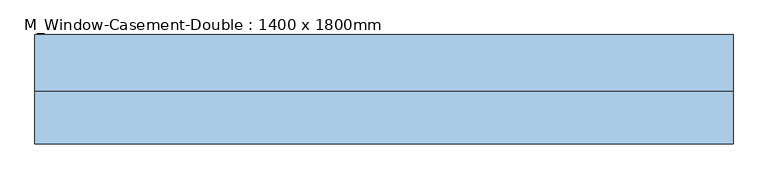
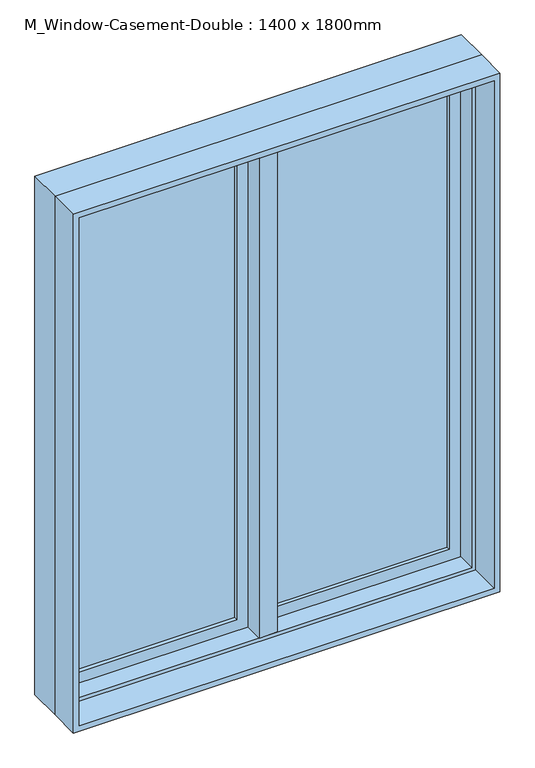
"""IFC4 building model written with IfcOpenShell, lengths in millimetres: window geometry, M_Window-Casement-Double : 1400 x 1800mm."""

from ifc_helpers import new_model, si_unit, frame, origin, place, context, project, spatial, polyline, outline, extrude, faceted_brep, source, transform, mapped, element, save


def m_window_casement_double_1400_x_1800mm_b4e09807(model_context):
    return source(origin(), model_context, "Body", "SolidModel", [
        faceted_brep([(9.525, 119.05, 2687.3), (-9.525, 119.05, 2687.3), (-9.525, 68.25, 2687.3), (9.525, 68.25, 2687.3), (9.525, 119.05, 912.7), (9.525, 68.25, 912.7), (-9.525, 68.25, 912.7), (-9.525, 119.05, 912.7), (-9.525, 68.25, 931.75), (-9.525, 68.25, 2668.25), (-30.1625, 68.25, 931.75), (-30.1625, 68.25, 2668.25), (-30.1625, 4.75, 931.75), (-30.1625, 4.75, 2668.25), (30.1625, 4.75, 931.75), (30.1625, 4.75, 2668.25), (30.1625, 68.25, 931.75), (30.1625, 68.25, 2668.25), (9.525, 68.25, 931.75), (9.525, 68.25, 2668.25)], [[[0, 1, 2, 3]], [[4, 5, 6, 7]], [[1, 0, 4, 7]], [[2, 1, 7, 6, 8, 9]], [[9, 8, 10, 11]], [[11, 10, 12, 13]], [[13, 12, 14, 15]], [[15, 14, 16, 17]], [[17, 16, 18, 19]], [[0, 3, 19, 18, 5, 4]], [[18, 8, 6, 5]], [[9, 19, 3, 2]], [[8, 18, 16, 14, 12, 10]], [[19, 9, 11, 13, 15, 17]]]),
        extrude(outline(polyline([(-66.675, 100.0), (-66.675, 93.65), (-630.15, 93.65), (-630.15, 100.0), (-66.675, 100.0)])), frame((0.0, 0.0, 969.85), z_axis=(0.0, 0.0, 1.0), x_axis=(1.0, 0.0, 0.0)), (0.0, 0.0, 1.0), 1660.3),
        extrude(outline(polyline([(-630.15, 80.95), (-630.15, 87.3), (-66.675, 87.3), (-66.675, 80.95), (-630.15, 80.95)])), frame((0.0, 0.0, 969.85), z_axis=(0.0, 0.0, 1.0), x_axis=(1.0, 0.0, 0.0)), (0.0, 0.0, 1.0), 1660.3),
        extrude(outline(polyline([(630.15, 100.0), (630.15, 93.65), (66.675, 93.65), (66.675, 100.0), (630.15, 100.0)])), frame((0.0, 0.0, 969.85), z_axis=(0.0, 0.0, 1.0), x_axis=(1.0, 0.0, 0.0)), (0.0, 0.0, 1.0), 1660.3),
        extrude(outline(polyline([(66.675, 80.95), (66.675, 87.3), (630.15, 87.3), (630.15, 80.95), (66.675, 80.95)])), frame((0.0, 0.0, 969.85), z_axis=(0.0, 0.0, 1.0), x_axis=(1.0, 0.0, 0.0)), (0.0, 0.0, 1.0), 1660.3),
        extrude(outline(polyline([(2687.3, -687.3), (912.7, -687.3), (912.7, -9.525), (2687.3, -9.525), (2687.3, -687.3)]), holes=[polyline([(2630.15, -66.675), (969.85, -66.675), (969.85, -630.15), (2630.15, -630.15), (2630.15, -66.675)])]), frame((0.0, 68.25, 0.0), z_axis=(0.0, 1.0, 0.0), x_axis=(0.0, 0.0, 1.0)), (0.0, 0.0, 1.0), 44.45),
        extrude(outline(polyline([(912.7, 687.3), (2687.3, 687.3), (2687.3, 9.525), (912.7, 9.525), (912.7, 687.3)]), holes=[polyline([(969.85, 66.675), (2630.15, 66.675), (2630.15, 630.15), (969.85, 630.15), (969.85, 66.675)])]), frame((0.0, 68.25, 0.0), z_axis=(0.0, 1.0, 0.0), x_axis=(0.0, 0.0, 1.0)), (0.0, 0.0, 1.0), 44.45),
        extrude(outline(polyline([(2700.0, -700.0), (900.0, -700.0), (900.0, 700.0), (2700.0, 700.0), (2700.0, -700.0)]), holes=[polyline([(2680.95, 680.95), (919.05, 680.95), (919.05, -680.95), (2680.95, -680.95), (2680.95, 680.95)])]), frame((0.0, -100.0, 0.0), z_axis=(0.0, 1.0, 0.0), x_axis=(0.0, 0.0, 1.0)), (0.0, 0.0, 1.0), 104.75),
        faceted_brep([(668.25, 68.25, 2668.25), (668.25, 4.75, 2668.25), (-668.25, 4.75, 2668.25), (-668.25, 68.25, 2668.25), (687.3, 119.05, 2687.3), (687.3, 68.25, 2687.3), (-687.3, 68.25, 2687.3), (-687.3, 119.05, 2687.3), (700.0, 4.75, 2700.0), (700.0, 119.05, 2700.0), (-700.0, 119.05, 2700.0), (-700.0, 4.75, 2700.0), (-668.25, 4.75, 931.75), (-668.25, 68.25, 931.75), (-687.3, 68.25, 912.7), (-687.3, 119.05, 912.7), (-700.0, 119.05, 900.0), (-700.0, 4.75, 900.0), (668.25, 4.75, 931.75), (668.25, 68.25, 931.75), (687.3, 68.25, 912.7), (687.3, 119.05, 912.7), (700.0, 119.05, 900.0), (700.0, 4.75, 900.0)], [[[0, 1, 2, 3]], [[4, 5, 6, 7]], [[8, 9, 10, 11]], [[3, 2, 12, 13]], [[7, 6, 14, 15]], [[11, 10, 16, 17]], [[13, 12, 18, 19]], [[15, 14, 20, 21]], [[17, 16, 22, 23]], [[11, 17, 23, 8], [1, 18, 12, 2]], [[19, 18, 1, 0]], [[5, 20, 14, 6], [3, 13, 19, 0]], [[21, 20, 5, 4]], [[23, 22, 9, 8]], [[9, 22, 16, 10], [7, 15, 21, 4]]]),
    ])


if __name__ == "__main__":
    model = new_model("IFC4")
    model_context = context("Model", 3, world=origin())
    ifc_project = project(units=[si_unit("LENGTHUNIT", "METRE", prefix="MILLI")], contexts=[model_context])
    site = spatial("IfcSite", under=ifc_project)
    building = spatial("IfcBuilding", under=site)
    placement = place(None, origin())
    m_window_casement_double_1400_x_1800mm_shape = m_window_casement_double_1400_x_1800mm_b4e09807(model_context)
    element("IfcWindow", 1, ObjectType="M_Window-Casement-Double : 1400 x 1800mm", at=placement, inside=building, context=model_context, shape_type="MappedRepresentation", body=[
        mapped(m_window_casement_double_1400_x_1800mm_shape, transform((0.0, 0.0, 0.0), x_axis=(1.0, 0.0, 0.0), y_axis=(0.0, 1.0, 0.0), z_axis=(0.0, 0.0, 1.0))),
    ])
    save(model, "model.ifc")
